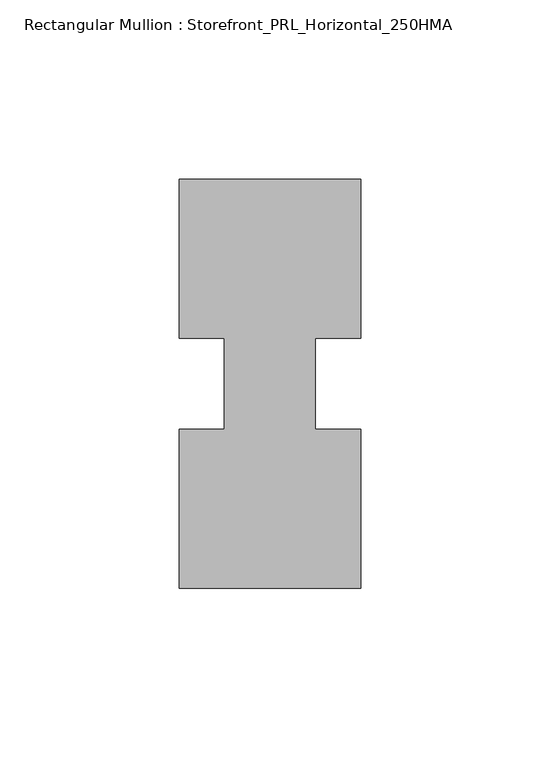
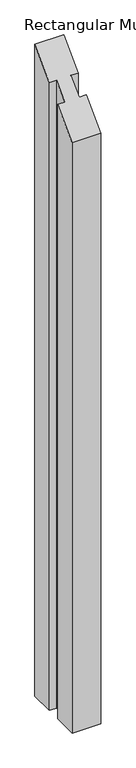
"""IFC4 building model written with IfcOpenShell, lengths in millimetres: member geometry, Rectangular Mullion : Storefront_PRL_Horizontal_250HMA."""

import ifcopenshell
import ifcopenshell.guid

model = None  # the IFC model being written
_history = None  # IfcOwnerHistory: only IFC2X3 demands one
_inside = {}  # id of a spatial element -> (the spatial element, [elements in it])
_under = {}  # id of a project, library or spatial element -> (it, [spatial elements below it])
_declared = {}  # id of a project -> (the project, [libraries it declares])
_typed = {}  # id of a type object -> (the type object, [elements of that type])
_made_of = {}  # id of a material, layer set ... -> (it, [elements and type objects made of it])


def new_model(schema):
    """Start an empty IFC model of exactly this schema.

    Asked for "IFC4X3", IfcOpenShell would pick the latest addendum, in which some entities
    have other attributes; the version numbers below select the first issue.
    IFC2X3 requires an IfcOwnerHistory on every rooted entity: one is made here for all.
    """
    global model, _history
    if schema == "IFC4X3":
        model = ifcopenshell.file(schema_version=(4, 3, 0, 0))
    else:
        model = ifcopenshell.file(schema=schema)
    _inside.clear()
    _under.clear()
    _declared.clear()
    _typed.clear()
    _made_of.clear()
    _history = None
    if model.schema == "IFC2X3":
        org = make("IfcOrganization", Name="unknown")
        user = make(
            "IfcPersonAndOrganization",
            ThePerson=make("IfcPerson", FamilyName="unknown"),
            TheOrganization=org,
        )
        app = make(
            "IfcApplication",
            ApplicationDeveloper=org,
            Version="unknown",
            ApplicationFullName="unknown",
            ApplicationIdentifier="unknown",
        )
        _history = make(
            "IfcOwnerHistory",
            OwningUser=user,
            OwningApplication=app,
            ChangeAction="ADDED",
            CreationDate=0,
        )
    return model


def make(cls, **values):
    """One entity of the class cls with the attributes given. An attribute that is None is left unset."""
    return model.create_entity(
        cls, **{name: value for name, value in values.items() if value is not None}
    )


def rooted(cls, **values):
    """An entity with a GlobalId (a new one), such as an element, a storey or a relation."""
    return make(cls, GlobalId=ifcopenshell.guid.new(), OwnerHistory=_history, **values)


def si_unit(unit_type, name, prefix=None):
    """IfcSIUnit, for example si_unit("LENGTHUNIT", "METRE", prefix="MILLI")."""
    return make("IfcSIUnit", UnitType=unit_type, Prefix=prefix, Name=name)


def assignment(units):
    """IfcUnitAssignment: the units of a project."""
    return None if units is None else make("IfcUnitAssignment", Units=units)


def point(xyz):
    """IfcCartesianPoint."""
    return None if xyz is None else make("IfcCartesianPoint", Coordinates=xyz)


def direction(xyz):
    """IfcDirection."""
    return None if xyz is None else make("IfcDirection", DirectionRatios=xyz)


def frame(location, z_axis=None, x_axis=None):
    """IfcAxis2Placement3D, a coordinate frame: its origin and axes. An axis left out is left unset."""
    return make(
        "IfcAxis2Placement3D",
        Location=point(location),
        Axis=direction(z_axis),
        RefDirection=direction(x_axis),
    )


def origin():
    """The frame at (0, 0, 0) with its axes left unset."""
    return frame((0.0, 0.0, 0.0))


def place(relative_to, where):
    """IfcLocalPlacement: puts the frame where relative to a parent placement (None: the world)."""
    return make(
        "IfcLocalPlacement", PlacementRelTo=relative_to, RelativePlacement=where
    )


def context(
    kind, dimensions, precision=None, world=None, true_north=None, identifier=None
):
    """IfcGeometricRepresentationContext, for example the 3D "Model" context."""
    return make(
        "IfcGeometricRepresentationContext",
        ContextIdentifier=identifier,
        ContextType=kind,
        CoordinateSpaceDimension=dimensions,
        Precision=precision,
        WorldCoordinateSystem=world,
        TrueNorth=true_north,
    )


def project(units=None, contexts=None):
    """IfcProject with its units and contexts."""
    return rooted(
        "IfcProject",
        Name="project",
        RepresentationContexts=contexts,
        UnitsInContext=assignment(units),
    )


def spatial(cls, under=None, at=None, **own):
    """A site, building, storey or space (cls), placed at a placement, below another one or the project."""
    s = rooted(cls, ObjectPlacement=at, **own)
    if under is not None:
        _under.setdefault(under.id(), (under, []))[1].append(s)
    return s


def faces_of(points, faces, orient=None, outer=None):
    """IfcFace entities. A face is a list of loops; a loop is a list of indices into points, from 0.

    orient and outer hold one flag for each loop. By default every Orientation is true, the
    first loop of a face is its IfcFaceOuterBound and the others are IfcFaceBound.
    """
    made = []
    for i, loops in enumerate(faces):
        bounds = []
        for j, loop in enumerate(loops):
            is_outer = j == 0 if outer is None else outer[i][j]
            bounds.append(
                make(
                    "IfcFaceOuterBound" if is_outer else "IfcFaceBound",
                    Bound=make("IfcPolyLoop", Polygon=[points[k] for k in loop]),
                    Orientation=True if orient is None else orient[i][j],
                )
            )
        made.append(make("IfcFace", Bounds=bounds))
    return made


def faceted_brep(points, faces, orient=None, outer=None, voids=None):
    """IfcFacetedBrep: a solid bounded by flat faces; with voids (closed shells), ...WithVoids."""
    shared = [point(p) for p in points]
    hull = make("IfcClosedShell", CfsFaces=faces_of(shared, faces, orient, outer))
    if voids is None:
        return make("IfcFacetedBrep", Outer=hull)
    return make(
        "IfcFacetedBrepWithVoids",
        Outer=hull,
        Voids=[
            make(cls, CfsFaces=faces_of(shared, fs, o, b)) for cls, fs, o, b in voids
        ],
    )


def shape(context_of_items, identifier, shape_type, items):
    """IfcShapeRepresentation: the items that make up one representation, for example the "Body"."""
    return make(
        "IfcShapeRepresentation",
        ContextOfItems=context_of_items,
        RepresentationIdentifier=identifier,
        RepresentationType=shape_type,
        Items=items,
    )


def source(mapping_origin, context_of_items, identifier, shape_type, items):
    """IfcRepresentationMap: a shape defined once, which mapped items show again and again."""
    return make(
        "IfcRepresentationMap",
        MappingOrigin=mapping_origin,
        MappedRepresentation=shape(context_of_items, identifier, shape_type, items),
    )


def transform(
    local_origin,
    x_axis=None,
    y_axis=None,
    z_axis=None,
    scale=None,
    scale2=None,
    scale3=None,
    uniform=True,
):
    """IfcCartesianTransformationOperator3D, or its non-uniform kind. x_axis, y_axis, z_axis: its Axis1, 2, 3."""
    if uniform:
        return make(
            "IfcCartesianTransformationOperator3D",
            Axis1=direction(x_axis),
            Axis2=direction(y_axis),
            LocalOrigin=point(local_origin),
            Scale=scale,
            Axis3=direction(z_axis),
        )
    return make(
        "IfcCartesianTransformationOperator3DnonUniform",
        Axis1=direction(x_axis),
        Axis2=direction(y_axis),
        LocalOrigin=point(local_origin),
        Scale=scale,
        Axis3=direction(z_axis),
        Scale2=scale2,
        Scale3=scale3,
    )


def mapped(mapping_source, mapping_target):
    """IfcMappedItem: shows the shape of a source again, moved by a transform."""
    return make(
        "IfcMappedItem", MappingSource=mapping_source, MappingTarget=mapping_target
    )


def made_of(thing, what):
    """Note that an element or type object is made of a material, layer set ...; save() writes the relation."""
    if what is not None:
        _made_of.setdefault(what.id(), (what, []))[1].append(thing)
    return thing


def element(
    cls,
    number,
    at=None,
    inside=None,
    cuts=None,
    type_object=None,
    material=None,
    context=None,
    identifier="Body",
    shape_type=None,
    held_by="IfcProductDefinitionShape",
    body=None,
    shapes=None,
    **own,
):
    """One element of the class cls, such as IfcWall. Its Tag is "e" and its number.

    at: its placement. inside: the storey or other place that contains it. cuts: it is an
    opening in that element (IfcRelVoidsElement). A single representation is given by context,
    identifier, shape_type and body (its items); several are given by shapes. held_by: the class
    of the entity that holds the representations. save() writes the other relations.
    """
    e = rooted(cls, Tag="e%d" % number, ObjectPlacement=at, **own)
    if body is not None:
        shapes = [shape(context, identifier, shape_type, body)]
    if shapes is not None:
        e.Representation = make(held_by, Representations=shapes)
    if inside is not None:
        _inside.setdefault(inside.id(), (inside, []))[1].append(e)
    if cuts is not None:
        rooted(
            "IfcRelVoidsElement", RelatingBuildingElement=cuts, RelatedOpeningElement=e
        )
    if type_object is not None:
        _typed.setdefault(type_object.id(), (type_object, []))[1].append(e)
    return made_of(e, material)


def aggregate(whole, parts):
    """IfcRelAggregates: a whole, such as a stair, and the parts it consists of."""
    return rooted("IfcRelAggregates", RelatingObject=whole, RelatedObjects=parts)


def save(model, path):
    """Write the relations noted so far, then the file.

    IfcRelAggregates (storeys below a building ...), IfcRelContainedInSpatialStructure (elements
    in a storey), IfcRelDefinesByType, IfcRelAssociatesMaterial and IfcRelDeclares: one each for
    every whole, place, type object, material and project.
    """
    for whole, parts in _under.values():
        aggregate(whole, parts)
    for where, things in _inside.values():
        rooted(
            "IfcRelContainedInSpatialStructure",
            RelatedElements=things,
            RelatingStructure=where,
        )
    for kind, things in _typed.values():
        rooted("IfcRelDefinesByType", RelatedObjects=things, RelatingType=kind)
    for what, things in _made_of.values():
        rooted("IfcRelAssociatesMaterial", RelatedObjects=things, RelatingMaterial=what)
    for by, libraries in _declared.values():
        rooted("IfcRelDeclares", RelatingContext=by, RelatedDefinitions=libraries)
    model.write(path)


def rectangular_mullion_storefront_prl_horizontal_250hma_dc00a30d(model_context):
    return source(origin(), model_context, "Body", "Brep", [
        faceted_brep([(-12.7, -12.7, -1162.05), (-12.7, 12.7, -1162.05), (-25.4, 12.7, -1162.05), (-25.4, 57.15, -1162.05), (25.4, 57.15, -1162.05), (25.4, 12.7, -1162.05), (12.7, 12.7, -1162.05), (12.7, -12.7, -1162.05), (25.4, -12.7, -1162.05), (25.4, -57.15, -1162.05), (-25.4, -57.15, -1162.05), (-25.4, -12.7, -1162.05), (-25.4, -12.7, -12.7), (-12.7, -12.7, -12.7), (-25.4, -57.15, -57.15), (25.4, -57.15, -57.15), (25.4, -12.7, -12.7), (12.7, -12.7, -12.7), (12.7, 12.7, 12.7), (25.4, 12.7, 12.7), (25.4, 57.15, 57.15), (-25.4, 57.15, 57.15), (-25.4, 12.7, 12.7), (-12.7, 12.7, 12.7)], [[[0, 1, 2, 3, 4, 5, 6, 7, 8, 9, 10, 11]], [[12, 13, 0, 11]], [[14, 12, 11, 10]], [[15, 14, 10, 9]], [[16, 15, 9, 8]], [[17, 16, 8, 7]], [[18, 17, 7, 6]], [[19, 18, 6, 5]], [[20, 19, 5, 4]], [[21, 20, 4, 3]], [[22, 21, 3, 2]], [[23, 22, 2, 1]], [[13, 23, 1, 0]], [[13, 12, 14, 15, 16, 17, 18, 19, 20, 21, 22, 23]]]),
    ])


if __name__ == "__main__":
    model = new_model("IFC4")
    model_context = context("Model", 3, world=origin())
    ifc_project = project(units=[si_unit("LENGTHUNIT", "METRE", prefix="MILLI")], contexts=[model_context])
    site = spatial("IfcSite", under=ifc_project)
    building = spatial("IfcBuilding", under=site)
    placement = place(None, origin())
    rectangular_mullion_storefront_prl_horizontal_250hma_shape = rectangular_mullion_storefront_prl_horizontal_250hma_dc00a30d(model_context)
    element("IfcMember", 1, ObjectType="Rectangular Mullion : Storefront_PRL_Horizontal_250HMA", at=placement, inside=building, context=model_context, shape_type="MappedRepresentation", body=[
        mapped(rectangular_mullion_storefront_prl_horizontal_250hma_shape, transform((0.0, 0.0, 0.0), x_axis=(1.0, 0.0, 0.0), y_axis=(0.0, 1.0, 0.0), z_axis=(0.0, 0.0, 1.0))),
    ])
    save(model, "model.ifc")
